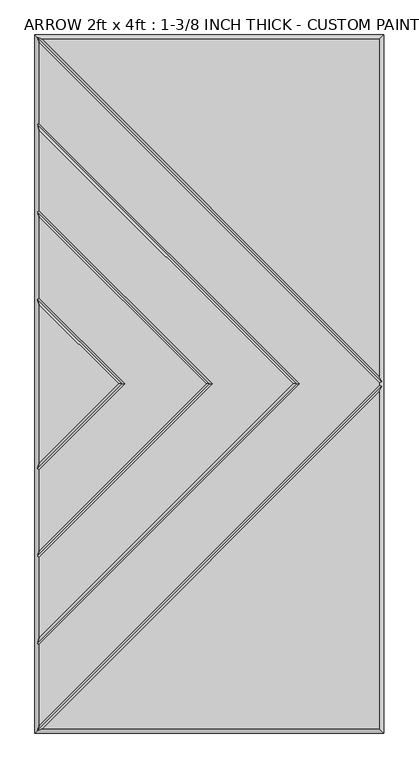
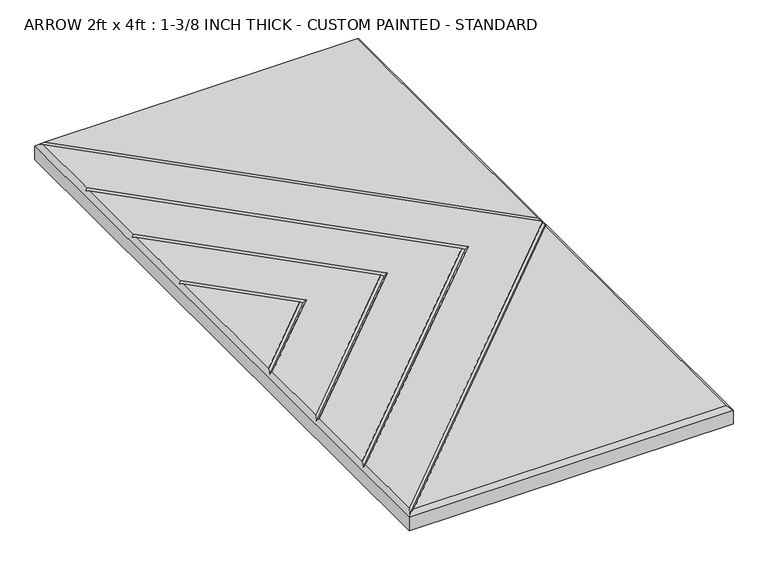
"""IFC4 building model written with IfcOpenShell, lengths in millimetres: proxy geometry, ARROW 2ft x 4ft : 1-3/8 INCH THICK - CUSTOM PAINTED - STANDARD."""

from ifc_helpers import new_model, si_unit, origin, place, context, project, spatial, faceted_brep, source, transform, mapped, element, save


def arrow_2ft_x_4ft_1_3_8_inch_thick_custom_painted_standard_47a5d8fc(model_context):
    return source(origin(), model_context, "Body", "Brep", [
        faceted_brep([(296.799, -2.3434386, 34.925), (296.799, 2.3434386, 34.925), (-296.799, 595.9414386, 34.925), (-296.799, 454.8565868, 34.925), (158.0575614, 2.54e-05, 34.925), (-296.799, -454.856536, 34.925), (-296.799, -595.9414386, 34.925), (296.799, 601.599, 34.925), (-291.1414386, 601.599, 34.925), (296.799, 13.6585614, 34.925), (-291.1414386, -601.599, 34.925), (296.799, -601.599, 34.925), (296.799, -13.6585614, 34.925), (146.7424386, 2.54e-05, 34.925), (-296.799, 443.541464, 34.925), (-296.799, 302.4565868, 34.925), (5.6575614, 2.54e-05, 34.925), (-296.799, -302.456536, 34.925), (-296.799, -443.5414132, 34.925), (-5.6575614, 2.54e-05, 34.925), (-296.799, 291.141464, 34.925), (-296.799, 150.0565868, 34.925), (-146.7424386, 2.54e-05, 34.925), (-296.799, -150.056536, 34.925), (-296.799, -291.1414132, 34.925), (-296.799, 138.741464, 34.925), (-296.799, -138.7414132, 34.925), (-158.0575614, 2.54e-05, 34.925), (-304.8, 609.6, 0.0), (304.8, 609.6, 0.0), (304.8, -609.6, 0.0), (-304.8, -609.6, 0.0), (-304.8, -609.6, 26.924), (-304.8, 609.6, 26.924), (304.8, -609.6, 26.924), (304.8, 609.6, 26.924), (-300.7995, 605.5995, 30.9245), (-300.7995, -605.5995, 30.9245), (-300.7995, -453.1994746, 30.9245), (-300.7995, -300.7994746, 30.9245), (-300.7995, -148.3994746, 30.9245), (-300.7995, 148.3995254, 30.9245), (-300.7995, 300.7995254, 30.9245), (-300.7995, 453.1995254, 30.9245), (300.7995, 4.0005, 30.9245), (300.7995, -4.0005, 30.9245), (152.4, 2.54e-05, 30.9245), (0.0, 2.54e-05, 30.9245), (-152.4, 2.54e-05, 30.9245)], [[[0, 1, 2, 3, 4, 5, 6]], [[7, 8, 9]], [[10, 11, 12]], [[13, 14, 15, 16, 17, 18]], [[19, 20, 21, 22, 23, 24]], [[25, 26, 27]], [[28, 29, 30, 31]], [[28, 31, 32, 33]], [[31, 30, 34, 32]], [[30, 29, 35, 34]], [[29, 28, 33, 35]], [[7, 35, 33, 36, 8]], [[33, 32, 37, 6, 5, 38, 18, 17, 39, 24, 23, 40, 26, 25, 41, 21, 20, 42, 15, 14, 43, 3, 2, 36]], [[34, 11, 10, 37, 32]], [[35, 7, 9, 44, 1, 0, 45, 12, 11, 34]], [[36, 44, 9, 8]], [[44, 36, 2, 1]], [[45, 37, 10, 12]], [[37, 45, 0, 6]], [[46, 4, 3, 43]], [[13, 46, 43, 14]], [[4, 46, 38, 5]], [[46, 13, 18, 38]], [[47, 16, 15, 42]], [[19, 47, 42, 20]], [[16, 47, 39, 17]], [[47, 19, 24, 39]], [[48, 22, 21, 41]], [[27, 48, 41, 25]], [[22, 48, 40, 23]], [[48, 27, 26, 40]]]),
    ])


if __name__ == "__main__":
    model = new_model("IFC4")
    model_context = context("Model", 3, world=origin())
    ifc_project = project(units=[si_unit("LENGTHUNIT", "METRE", prefix="MILLI")], contexts=[model_context])
    site = spatial("IfcSite", under=ifc_project)
    building = spatial("IfcBuilding", under=site)
    placement = place(None, origin())
    arrow_2ft_x_4ft_1_3_8_inch_thick_custom_painted_standard_shape = arrow_2ft_x_4ft_1_3_8_inch_thick_custom_painted_standard_47a5d8fc(model_context)
    element("IfcBuildingElementProxy", 1, Name="ARROW 2ft x 4ft : 1-3/8 INCH THICK - CUSTOM PAINTED - STANDARD", ObjectType="ARROW 2ft x 4ft : 1-3/8 INCH THICK - CUSTOM PAINTED - STANDARD", at=placement, inside=building, context=model_context, shape_type="MappedRepresentation", body=[
        mapped(arrow_2ft_x_4ft_1_3_8_inch_thick_custom_painted_standard_shape, transform((0.0, 0.0, 0.0), x_axis=(1.0, 0.0, 0.0), y_axis=(0.0, 1.0, 0.0), z_axis=(0.0, 0.0, 1.0))),
    ])
    save(model, "model.ifc")
